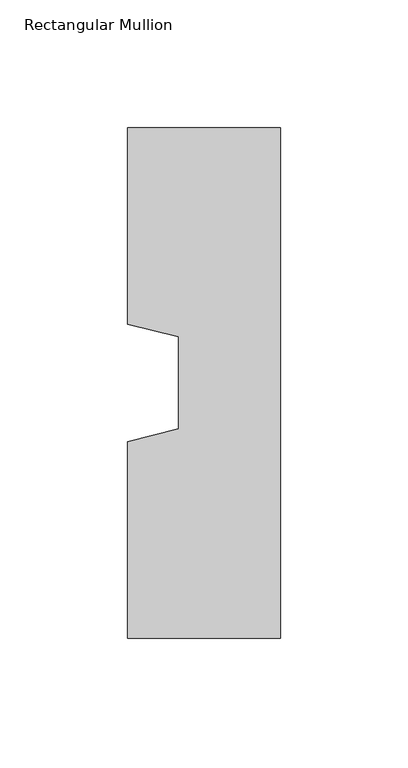
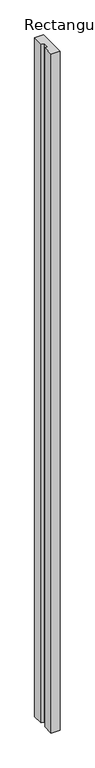
"""IFC4 building model written with IfcOpenShell, lengths in millimetres: column geometry, Rectangular Mullion."""

from ifc_helpers import new_model, si_unit, frame, origin, place, context, project, spatial, polyline, outline, extrude, source, transform, mapped, element, save


def rectangular_mullion_3afd7ca6(model_context):
    return source(origin(), model_context, "Body", "SweptSolid", [
        extrude(outline(polyline([(-60.0, 100.0), (0.0, 100.0), (0.0, -100.0), (-60.0, -100.0), (-60.0, -23.0), (-40.0, -18.0), (-40.0, 18.0), (-60.0, 23.0), (-60.0, 100.0)])), frame((0.0, 0.0, -5000.0), z_axis=(0.0, 0.0, 1.0), x_axis=(1.0, 0.0, 0.0)), (0.0, 0.0, 1.0), 5000.0),
    ])


if __name__ == "__main__":
    model = new_model("IFC4")
    model_context = context("Model", 3, world=origin())
    ifc_project = project(units=[si_unit("LENGTHUNIT", "METRE", prefix="MILLI")], contexts=[model_context])
    site = spatial("IfcSite", under=ifc_project)
    building = spatial("IfcBuilding", under=site)
    placement = place(None, origin())
    rectangular_mullion_shape = rectangular_mullion_3afd7ca6(model_context)
    element("IfcColumn", 1, ObjectType="Rectangular Mullion", at=placement, inside=building, context=model_context, shape_type="MappedRepresentation", body=[
        mapped(rectangular_mullion_shape, transform((0.0, 0.0, 0.0), x_axis=(1.0, 0.0, 0.0), y_axis=(0.0, 1.0, 0.0), z_axis=(0.0, 0.0, 1.0))),
    ])
    save(model, "model.ifc")
